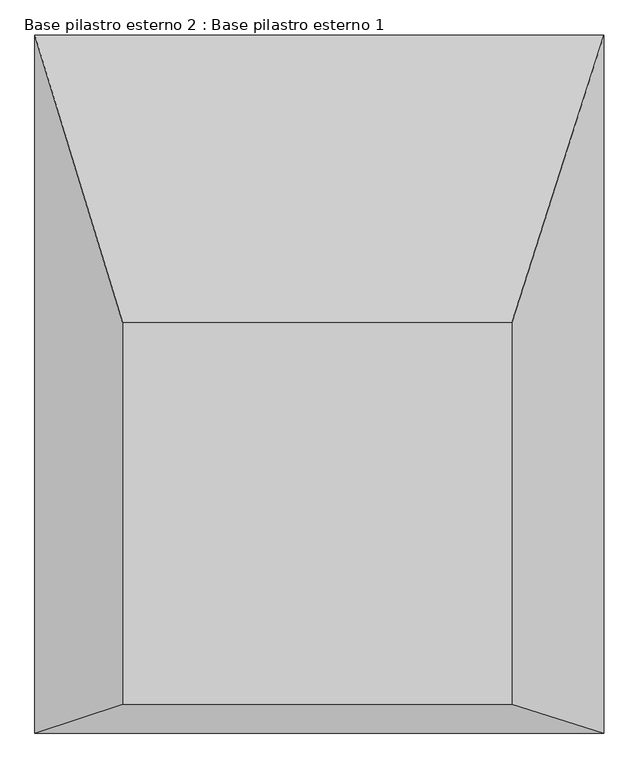
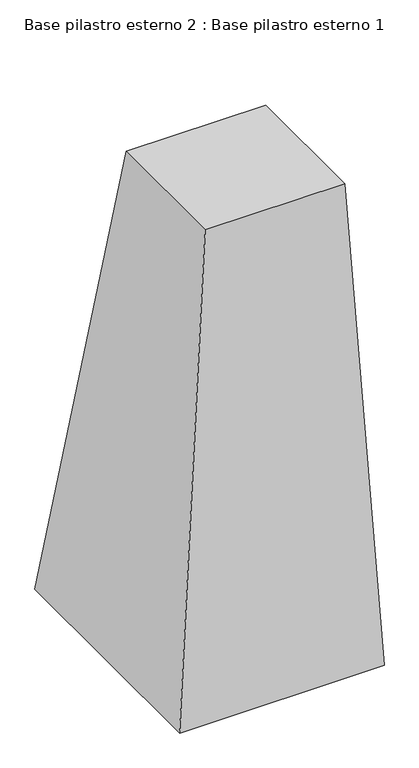
"""IFC4 building model written with IfcOpenShell, lengths in millimetres: column geometry, Base pilastro esterno 2 : Base pilastro esterno 1."""

from ifc_helpers import new_model, si_unit, origin, place, context, project, spatial, faceted_brep, source, transform, mapped, element, save


def base_pilastro_esterno_2_base_pilastro_esterno_1_3725c69b(model_context):
    return source(origin(), model_context, "Body", "Brep", [
        faceted_brep([(-71858.1996684, 123740.035984, -277.4358654), (-71255.2044626, 123740.035984, -277.4358654), (-71255.2044626, 124330.2918544, -277.4358654), (-71858.1996684, 124330.2918544, -277.4358654), (-71994.0859119, 123695.5650876, -2496.9800423), (-71994.0859119, 124776.1685911, -2496.9800423), (-71112.2372719, 124776.1685911, -2496.9800423), (-71112.2372719, 123695.5650876, -2496.9800423)], [[[0, 1, 2, 3]], [[4, 5, 6, 7]], [[4, 7, 1, 0]], [[7, 6, 2, 1]], [[6, 5, 3, 2]], [[5, 4, 0, 3]]]),
    ])


if __name__ == "__main__":
    model = new_model("IFC4")
    model_context = context("Model", 3, world=origin())
    ifc_project = project(units=[si_unit("LENGTHUNIT", "METRE", prefix="MILLI")], contexts=[model_context])
    site = spatial("IfcSite", under=ifc_project)
    building = spatial("IfcBuilding", under=site)
    placement = place(None, origin())
    base_pilastro_esterno_2_base_pilastro_esterno_1_shape = base_pilastro_esterno_2_base_pilastro_esterno_1_3725c69b(model_context)
    element("IfcColumn", 1, ObjectType="Base pilastro esterno 2 : Base pilastro esterno 1", at=placement, inside=building, context=model_context, shape_type="MappedRepresentation", body=[
        mapped(base_pilastro_esterno_2_base_pilastro_esterno_1_shape, transform((0.0, 0.0, 0.0), x_axis=(1.0, 0.0, 0.0), y_axis=(0.0, 1.0, 0.0), z_axis=(0.0, 0.0, 1.0))),
    ])
    save(model, "model.ifc")
